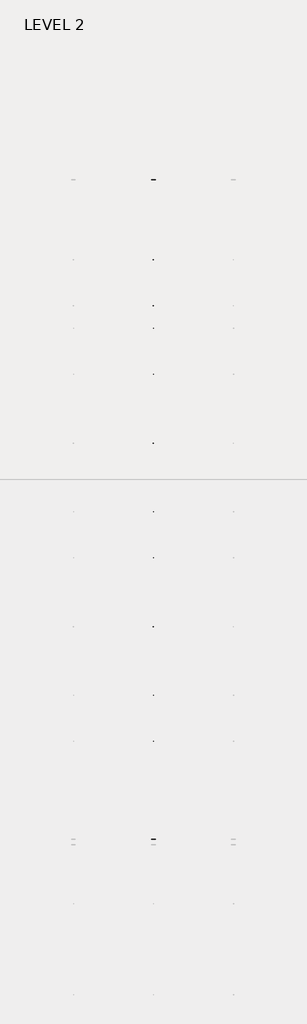
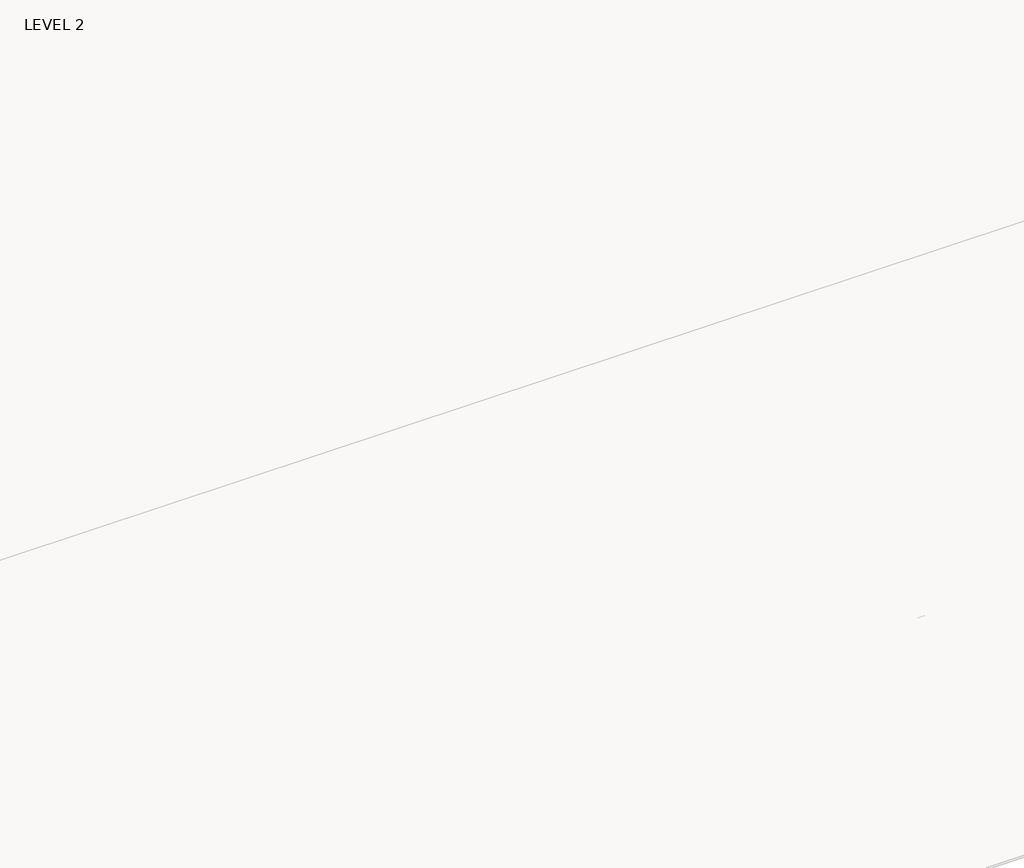
# One storey, part 46 of 67: 1 beam.
"""IFC4 building model written with IfcOpenShell, lengths in millimetres."""

from ifc_helpers import new_model, si_unit, frame, origin, place, context, project, spatial, polyline, outline, extrude, faceted_brep, element, save

model = new_model("IFC4")

# Units and contexts
model_context = context("Model", 3, world=origin())
ifc_project = project(units=[si_unit("LENGTHUNIT", "METRE", prefix="MILLI")], contexts=[model_context])

# Site, building, storey
site = spatial("IfcSite", under=ifc_project)
building = spatial("IfcBuilding", under=site)
storey = spatial("IfcBuildingStorey", under=building, Name="LEVEL 2", Elevation=6908.8)

# Beam
placement = place(None, origin())
element("IfcBeam", 1, ObjectType="K-Series Bar Joist-Angle Web : 30K7", at=placement, inside=storey, context=model_context, shape_type="SolidModel", body=[
    extrude(outline(polyline([(0.0, -9.525), (0.0, 0.0), (1596.011582, 0.0), (1596.011582, -9.525), (0.0, -9.525)])), frame((37225.8014942, 3035.5608234, 6301.5998528), z_axis=(0.0, -0.45537207995192985, 0.8903012236317849), x_axis=(0.0, -0.8903012236317849, -0.45537207995192985)), (0.0, 0.0, 1.0), 9.525),
    extrude(outline(polyline([(0.0, -9.525), (0.0, 0.0), (1596.011582, 0.0), (1596.011582, -9.525), (0.0, -9.525)])), frame((37216.2764942, -9405.2089013, 6276.405159), z_axis=(0.0, 0.45176233395621196, 0.8921383265046045), x_axis=(0.0, 0.8921383265046045, -0.45176233395621196)), (0.0, 0.0, 1.0), 9.525),
    extrude(outline(polyline([(4.7625, 4.7625), (4.7625, -4.7625), (-4.7625, -4.7625), (-4.7625, 4.7625), (4.7625, 4.7625)])), frame((37221.0389942, 1612.4610495, 5579.0607987), z_axis=(0.0, 0.5141906943646374, 0.8576758885667779), x_axis=(-1.0, 0.0, 0.0)), (0.0, 0.0, 1.0), 845.0528554),
    extrude(outline(polyline([(4.7625, 4.7625), (4.7625, -4.7625), (-4.7625, -4.7625), (-4.7625, 4.7625), (4.7625, 4.7625)])), frame((37221.0389942, -7979.1942813, 5559.6360505), z_axis=(0.0, -0.5176603441548682, 0.8555862131249332), x_axis=(-1.0, 0.0, 0.0)), (0.0, 0.0, 1.0), 845.0528554),
    extrude(outline(polyline([(0.0, 0.0), (31.75, 0.0), (31.75, -6.35), (6.35, -6.35), (6.35, -31.75), (0.0, -31.75), (0.0, 0.0)])), frame((37225.8014942, -8080.7812131, 5553.0803065), z_axis=(0.0, 0.9999979493462576, 0.0020251674695521043), x_axis=(1.0, 0.0, 0.0)), (0.0, 0.0, 1.0), 9794.875),
    extrude(outline(polyline([(-9.525, 0.0), (-9.525, -31.75), (-15.875, -31.75), (-15.875, -6.35), (-41.275, -6.35), (-41.275, 0.0), (-9.525, 0.0)])), frame((37225.8014942, -8080.7812131, 5553.0803065), z_axis=(0.0, 0.9999979493462576, 0.0020251674695521043), x_axis=(1.0, 0.0, 0.0)), (0.0, 0.0, 1.0), 9794.875),
    extrude(outline(polyline([(-31.75, 0.0), (0.0, 0.0), (0.0, -6.35), (-25.4, -6.35), (-25.4, -31.75), (-31.75, -31.75), (-31.75, 0.0)])), frame((37257.5514942, -9504.5928758, 6248.6982759), z_axis=(0.0, 0.9999979493462576, 0.0020251674695521043), x_axis=(1.0, 0.0, 0.0)), (0.0, 0.0, 1.0), 101.6),
    extrude(outline(polyline([(-41.275, 0.0), (-41.275, -31.75), (-47.625, -31.75), (-47.625, -6.35), (-73.025, -6.35), (-73.025, 0.0), (-41.275, 0.0)])), frame((37257.5514942, -9504.5928758, 6248.6982759), z_axis=(0.0, 0.9999979493462576, 0.0020251674695521043), x_axis=(1.0, 0.0, 0.0)), (0.0, 0.0, 1.0), 101.6),
    extrude(outline(polyline([(0.0, 0.0), (31.75, 0.0), (31.75, -6.35), (6.35, -6.35), (6.35, -31.75), (0.0, -31.75), (0.0, 0.0)])), frame((37216.2764942, 3033.456413, 6274.0899775), z_axis=(0.0, 0.9999979493462576, 0.0020251674695521043), x_axis=(0.0, -0.0020251674695521043, 0.9999979493462576)), (0.0, 0.0, 1.0), 101.6),
    extrude(outline(polyline([(0.0, 41.275), (6.35, 41.275), (6.35, 15.875), (31.75, 15.875), (31.75, 9.525), (0.0, 9.525), (0.0, 41.275)])), frame((37216.2764942, 3033.456413, 6274.0899775), z_axis=(0.0, 0.9999979493462576, 0.0020251674695521043), x_axis=(0.0, -0.0020251674695521043, 0.9999979493462576)), (0.0, 0.0, 1.0), 101.6),
    extrude(outline(polyline([(0.0, 0.0), (31.75, 0.0), (31.75, -6.35), (6.35, -6.35), (6.35, -31.75), (0.0, -31.75), (0.0, 0.0)])), frame((37225.8014942, -9504.7214739, 6312.1981457), z_axis=(0.0, 0.9999979493462576, 0.0020251674695521043), x_axis=(0.0, 0.0020251674695521043, -0.9999979493462576)), (0.0, 0.0, 1.0), 12639.675),
    extrude(outline(polyline([(0.0, 9.525), (0.0, 41.275), (6.35, 41.275), (6.35, 15.875), (31.75, 15.875), (31.75, 9.525), (0.0, 9.525)])), frame((37225.8014942, -9504.7214739, 6312.1981457), z_axis=(0.0, 0.9999979493462576, 0.0020251674695521043), x_axis=(0.0, 0.0020251674695521043, -0.9999979493462576)), (0.0, 0.0, 1.0), 12639.675),
    faceted_brep([(37221.0389942, 1612.4289, 5594.9357661), (37221.0389942, 1612.4674794, 5575.8858052), (37216.2764942, 1612.4674794, 5575.8858052), (37216.2764942, 1612.4289, 5594.9357661), (37221.0389942, 1611.5910583, 5594.9340693), (37221.0389942, 1186.8149607, 6330.6753354), (37221.0389942, 1168.6028414, 6330.6384527), (37221.0389942, 1168.6414208, 6311.5884918), (37221.0389942, 1175.8292494, 6311.6030483), (37221.0389942, 1600.6053471, 5575.8617823), (37216.2764942, 1600.6053471, 5575.8617823), (37216.2764942, 1580.4651011, 5610.7460665), (37216.2764942, 1584.5895575, 5613.1272983), (37216.2764942, 1189.1083632, 6298.1277874), (37216.2764942, 1184.9839067, 6295.7465555), (37216.2764942, 1175.8292494, 6311.6030483), (37216.2764942, 1168.6414208, 6311.5884918), (37216.2764942, 1168.6028414, 6330.6384527), (37216.2764942, 1186.8149607, 6330.6753354), (37216.2764942, 1611.5910583, 5594.9340693), (37203.5764942, 1184.9839067, 6295.7465555), (37203.5764942, 1580.4651011, 5610.7460665), (37203.5764942, 1584.5895575, 5613.1272983), (37203.5764942, 1189.1083632, 6298.1277874)], [[[0, 1, 2, 3]], [[1, 0, 4, 5, 6, 7, 8, 9]], [[2, 1, 9, 10]], [[3, 2, 10, 11, 12, 13, 14, 15, 16, 17, 18, 19]], [[0, 3, 19, 4]], [[9, 8, 15, 14, 20, 21, 11, 10]], [[5, 4, 19, 18]], [[7, 6, 17, 16]], [[8, 7, 16, 15]], [[6, 5, 18, 17]], [[21, 22, 12, 11]], [[20, 14, 13, 23]], [[22, 21, 20, 23]], [[12, 22, 23, 13]]]),
    extrude(outline(polyline([(740.498813, 5574.119919), (740.4602335, 5593.1698799), (741.2980751, 5593.1715767), (1163.090696, 6330.6272897), (1181.3028154, 6330.6641723), (1181.3413948, 6311.6142114), (1174.1535662, 6311.5996548), (752.3609453, 5574.1439418), (740.498813, 5574.119919)])), frame((37221.0389942, 0.0, 0.0), z_axis=(1.0, 0.0, 0.0), x_axis=(0.0, 1.0, 0.0)), (0.0, 0.0, 1.0), 4.7625),
    extrude(outline(polyline([(-4.7625, 4.7625), (-4.7625, 0.0), (-17.4625, 0.0), (-17.4625, 4.7625), (-4.7625, 4.7625)])), frame((37221.0389942, 772.3597334, 5609.1095144), z_axis=(0.0, 0.4964843899757221, 0.8680456500152716), x_axis=(-1.0, 0.0, 0.0)), (0.0, 0.0, 1.0), 790.9684223),
    faceted_brep([(37221.0389942, -7107.2577644, 5577.2769041), (37221.0389942, -7107.219185, 5558.2269432), (37216.2764942, -7107.219185, 5558.2269432), (37216.2764942, -7107.2577644, 5577.2769041), (37221.0389942, -7108.095606, 5577.2752074), (37221.0389942, -7532.8717036, 6313.0164734), (37221.0389942, -7551.083823, 6312.9795907), (37221.0389942, -7551.0452435, 6293.9296298), (37221.0389942, -7543.8574149, 6293.9441864), (37221.0389942, -7119.0813173, 5558.2029203), (37216.2764942, -7119.0813173, 5558.2029203), (37216.2764942, -7139.2215633, 5593.0872045), (37216.2764942, -7135.0971068, 5595.4684363), (37216.2764942, -7530.5783012, 6280.4689254), (37216.2764942, -7534.7027576, 6278.0876936), (37216.2764942, -7543.8574149, 6293.9441864), (37216.2764942, -7551.0452435, 6293.9296298), (37216.2764942, -7551.083823, 6312.9795907), (37216.2764942, -7532.8717036, 6313.0164734), (37216.2764942, -7108.095606, 5577.2752074), (37203.5764942, -7534.7027576, 6278.0876936), (37203.5764942, -7139.2215633, 5593.0872045), (37203.5764942, -7135.0971068, 5595.4684363), (37203.5764942, -7530.5783012, 6280.4689254)], [[[0, 1, 2, 3]], [[1, 0, 4, 5, 6, 7, 8, 9]], [[2, 1, 9, 10]], [[3, 2, 10, 11, 12, 13, 14, 15, 16, 17, 18, 19]], [[0, 3, 19, 4]], [[9, 8, 15, 14, 20, 21, 11, 10]], [[5, 4, 19, 18]], [[7, 6, 17, 16]], [[8, 7, 16, 15]], [[6, 5, 18, 17]], [[21, 22, 12, 11]], [[20, 14, 13, 23]], [[22, 21, 20, 23]], [[12, 22, 23, 13]]]),
    extrude(outline(polyline([(-7979.1878514, 5556.461057), (-7979.2264308, 5575.5110179), (-7978.3885892, 5575.5127147), (-7556.5959683, 6312.9684277), (-7538.383849, 6313.0053103), (-7538.3452696, 6293.9553494), (-7545.5330982, 6293.9407928), (-7967.3257191, 5556.4850798), (-7979.1878514, 5556.461057)])), frame((37221.0389942, 0.0, 0.0), z_axis=(1.0, 0.0, 0.0), x_axis=(0.0, 1.0, 0.0)), (0.0, 0.0, 1.0), 4.7625),
    extrude(outline(polyline([(-4.7625, 4.7625), (-4.7625, 0.0), (-17.4625, 0.0), (-17.4625, 4.7625), (-4.7625, 4.7625)])), frame((37221.0389942, -7947.326931, 5591.4506524), z_axis=(0.0, 0.4964843899757221, 0.8680456500152716), x_axis=(-1.0, 0.0, 0.0)), (0.0, 0.0, 1.0), 790.9684223),
    faceted_brep([(37221.0389942, 740.4602335, 5593.1698799), (37221.0389942, 740.498813, 5574.119919), (37216.2764942, 740.498813, 5574.119919), (37216.2764942, 740.4602335, 5593.1698799), (37221.0389942, 739.6223919, 5593.1681831), (37221.0389942, 314.8462943, 6328.9094492), (37221.0389942, 296.634175, 6328.8725665), (37221.0389942, 296.6727544, 6309.8226056), (37221.0389942, 303.860583, 6309.8371621), (37221.0389942, 728.6366806, 5574.0958961), (37216.2764942, 728.6366806, 5574.0958961), (37216.2764942, 708.4964346, 5608.9801803), (37216.2764942, 712.6208911, 5611.3614121), (37216.2764942, 317.1396968, 6296.3619012), (37216.2764942, 313.0152403, 6293.9806693), (37216.2764942, 303.860583, 6309.8371621), (37216.2764942, 296.6727544, 6309.8226056), (37216.2764942, 296.634175, 6328.8725665), (37216.2764942, 314.8462943, 6328.9094492), (37216.2764942, 739.6223919, 5593.1681831), (37203.5764942, 313.0152403, 6293.9806693), (37203.5764942, 708.4964346, 5608.9801803), (37203.5764942, 712.6208911, 5611.3614121), (37203.5764942, 317.1396968, 6296.3619012)], [[[0, 1, 2, 3]], [[1, 0, 4, 5, 6, 7, 8, 9]], [[2, 1, 9, 10]], [[3, 2, 10, 11, 12, 13, 14, 15, 16, 17, 18, 19]], [[0, 3, 19, 4]], [[9, 8, 15, 14, 20, 21, 11, 10]], [[5, 4, 19, 18]], [[7, 6, 17, 16]], [[8, 7, 16, 15]], [[6, 5, 18, 17]], [[21, 22, 12, 11]], [[20, 14, 13, 23]], [[22, 21, 20, 23]], [[12, 22, 23, 13]]]),
    extrude(outline(polyline([(-131.4698535, 5572.3540328), (-131.5084329, 5591.4039937), (-130.6705913, 5591.4056905), (291.1220296, 6328.8614035), (309.3341489, 6328.8982861), (309.3727284, 6309.8483252), (302.1848998, 6309.8337686), (-119.6077211, 5572.3780556), (-131.4698535, 5572.3540328)])), frame((37221.0389942, 0.0, 0.0), z_axis=(1.0, 0.0, 0.0), x_axis=(0.0, 1.0, 0.0)), (0.0, 0.0, 1.0), 4.7625),
    extrude(outline(polyline([(-4.7625, 4.7625), (-4.7625, 0.0), (-17.4625, 0.0), (-17.4625, 4.7625), (-4.7625, 4.7625)])), frame((37221.0389942, -99.6089331, 5607.3436282), z_axis=(0.0, 0.4964843899757221, 0.8680456500152716), x_axis=(-1.0, 0.0, 0.0)), (0.0, 0.0, 1.0), 790.9684223),
    faceted_brep([(37221.0389942, -131.5084329, 5591.4039937), (37221.0389942, -131.4698535, 5572.3540328), (37216.2764942, -131.4698535, 5572.3540328), (37216.2764942, -131.5084329, 5591.4039937), (37221.0389942, -132.3462745, 5591.4022969), (37221.0389942, -557.1223722, 6327.143563), (37221.0389942, -575.3344915, 6327.1066803), (37221.0389942, -575.295912, 6308.0567194), (37221.0389942, -568.1080834, 6308.0712759), (37221.0389942, -143.3319858, 5572.3300099), (37216.2764942, -143.3319858, 5572.3300099), (37216.2764942, -163.4722318, 5607.2142941), (37216.2764942, -159.3477753, 5609.5955259), (37216.2764942, -554.8289697, 6294.596015), (37216.2764942, -558.9534262, 6292.2147831), (37216.2764942, -568.1080834, 6308.0712759), (37216.2764942, -575.295912, 6308.0567194), (37216.2764942, -575.3344915, 6327.1066803), (37216.2764942, -557.1223722, 6327.143563), (37216.2764942, -132.3462745, 5591.4022969), (37203.5764942, -558.9534262, 6292.2147831), (37203.5764942, -163.4722318, 5607.2142941), (37203.5764942, -159.3477753, 5609.5955259), (37203.5764942, -554.8289697, 6294.596015)], [[[0, 1, 2, 3]], [[1, 0, 4, 5, 6, 7, 8, 9]], [[2, 1, 9, 10]], [[3, 2, 10, 11, 12, 13, 14, 15, 16, 17, 18, 19]], [[0, 3, 19, 4]], [[9, 8, 15, 14, 20, 21, 11, 10]], [[5, 4, 19, 18]], [[7, 6, 17, 16]], [[8, 7, 16, 15]], [[6, 5, 18, 17]], [[21, 22, 12, 11]], [[20, 14, 13, 23]], [[22, 21, 20, 23]], [[12, 22, 23, 13]]]),
    extrude(outline(polyline([(-1003.4385199, 5570.5881466), (-1003.4770993, 5589.6381075), (-1002.6392577, 5589.6398043), (-580.8466368, 6327.0955173), (-562.6345175, 6327.1323999), (-562.5959381, 6308.082439), (-569.7837667, 6308.0678824), (-991.5763876, 5570.6121694), (-1003.4385199, 5570.5881466)])), frame((37221.0389942, 0.0, 0.0), z_axis=(1.0, 0.0, 0.0), x_axis=(0.0, 1.0, 0.0)), (0.0, 0.0, 1.0), 4.7625),
    extrude(outline(polyline([(-4.7625, 4.7625), (-4.7625, 0.0), (-17.4625, 0.0), (-17.4625, 4.7625), (-4.7625, 4.7625)])), frame((37221.0389942, -971.5775995, 5605.577742), z_axis=(0.0, 0.4964843899757221, 0.8680456500152716), x_axis=(-1.0, 0.0, 0.0)), (0.0, 0.0, 1.0), 790.9684223),
    faceted_brep([(37221.0389942, -1003.4770993, 5589.6381075), (37221.0389942, -1003.4385199, 5570.5881466), (37216.2764942, -1003.4385199, 5570.5881466), (37216.2764942, -1003.4770993, 5589.6381075), (37221.0389942, -1004.314941, 5589.6364107), (37221.0389942, -1429.0910386, 6325.3776768), (37221.0389942, -1447.3031579, 6325.3407941), (37221.0389942, -1447.2645785, 6306.2908332), (37221.0389942, -1440.0767499, 6306.3053897), (37221.0389942, -1015.3006522, 5570.5641237), (37216.2764942, -1015.3006522, 5570.5641237), (37216.2764942, -1035.4408983, 5605.4484079), (37216.2764942, -1031.3164418, 5607.8296397), (37216.2764942, -1426.7976361, 6292.8301288), (37216.2764942, -1430.9220926, 6290.4488969), (37216.2764942, -1440.0767499, 6306.3053897), (37216.2764942, -1447.2645785, 6306.2908332), (37216.2764942, -1447.3031579, 6325.3407941), (37216.2764942, -1429.0910386, 6325.3776768), (37216.2764942, -1004.314941, 5589.6364107), (37203.5764942, -1430.9220926, 6290.4488969), (37203.5764942, -1035.4408983, 5605.4484079), (37203.5764942, -1031.3164418, 5607.8296397), (37203.5764942, -1426.7976361, 6292.8301288)], [[[0, 1, 2, 3]], [[1, 0, 4, 5, 6, 7, 8, 9]], [[2, 1, 9, 10]], [[3, 2, 10, 11, 12, 13, 14, 15, 16, 17, 18, 19]], [[0, 3, 19, 4]], [[9, 8, 15, 14, 20, 21, 11, 10]], [[5, 4, 19, 18]], [[7, 6, 17, 16]], [[8, 7, 16, 15]], [[6, 5, 18, 17]], [[21, 22, 12, 11]], [[20, 14, 13, 23]], [[22, 21, 20, 23]], [[12, 22, 23, 13]]]),
    extrude(outline(polyline([(-1875.4071863, 5568.8222604), (-1875.4457658, 5587.8722213), (-1874.6079242, 5587.8739181), (-1452.8153033, 6325.3296311), (-1434.6031839, 6325.3665137), (-1434.5646045, 6306.3165528), (-1441.7524331, 6306.3019962), (-1863.545054, 5568.8462832), (-1875.4071863, 5568.8222604)])), frame((37221.0389942, 0.0, 0.0), z_axis=(1.0, 0.0, 0.0), x_axis=(0.0, 1.0, 0.0)), (0.0, 0.0, 1.0), 4.7625),
    extrude(outline(polyline([(-4.7625, 4.7625001), (-4.7625, 0.0), (-17.4625, 0.0), (-17.4625, 4.7625001), (-4.7625, 4.7625001)])), frame((37221.0389942, -1843.5462659, 5603.8118558), z_axis=(0.0, 0.4964843899757221, 0.8680456500152716), x_axis=(-1.0, 0.0, 0.0)), (0.0, 0.0, 1.0), 790.9684223),
    faceted_brep([(37221.0389942, -1875.4457658, 5587.8722213), (37221.0389942, -1875.4071863, 5568.8222604), (37216.2764942, -1875.4071863, 5568.8222604), (37216.2764942, -1875.4457658, 5587.8722213), (37221.0389942, -1876.2836074, 5587.8705245), (37221.0389942, -2301.059705, 6323.6117906), (37221.0389942, -2319.2718243, 6323.5749079), (37221.0389942, -2319.2332449, 6304.524947), (37221.0389942, -2312.0454163, 6304.5395035), (37221.0389942, -1887.2693187, 5568.7982375), (37216.2764942, -1887.2693187, 5568.7982375), (37216.2764942, -1907.4095647, 5603.6825217), (37216.2764942, -1903.2851082, 5606.0637535), (37216.2764942, -2298.7663026, 6291.0642426), (37216.2764942, -2302.890759, 6288.6830107), (37216.2764942, -2312.0454163, 6304.5395035), (37216.2764942, -2319.2332449, 6304.524947), (37216.2764942, -2319.2718243, 6323.5749079), (37216.2764942, -2301.059705, 6323.6117906), (37216.2764942, -1876.2836074, 5587.8705245), (37203.5764942, -2302.890759, 6288.6830107), (37203.5764942, -1907.4095647, 5603.6825217), (37203.5764942, -1903.2851082, 5606.0637535), (37203.5764942, -2298.7663026, 6291.0642426)], [[[0, 1, 2, 3]], [[1, 0, 4, 5, 6, 7, 8, 9]], [[2, 1, 9, 10]], [[3, 2, 10, 11, 12, 13, 14, 15, 16, 17, 18, 19]], [[0, 3, 19, 4]], [[9, 8, 15, 14, 20, 21, 11, 10]], [[5, 4, 19, 18]], [[7, 6, 17, 16]], [[8, 7, 16, 15]], [[6, 5, 18, 17]], [[21, 22, 12, 11]], [[20, 14, 13, 23]], [[22, 21, 20, 23]], [[12, 22, 23, 13]]]),
    extrude(outline(polyline([(-2747.3758528, 5567.0563742), (-2747.4144322, 5586.1063351), (-2746.5765906, 5586.1080319), (-2324.7839697, 6323.5637449), (-2306.5718504, 6323.6006275), (-2306.5332709, 6304.5506666), (-2313.7210995, 6304.53611), (-2735.5137204, 5567.080397), (-2747.3758528, 5567.0563742)])), frame((37221.0389942, 0.0, 0.0), z_axis=(1.0, 0.0, 0.0), x_axis=(0.0, 1.0, 0.0)), (0.0, 0.0, 1.0), 4.7625),
    extrude(outline(polyline([(-4.7625, 4.7625), (-4.7625, 0.0), (-17.4625, 0.0), (-17.4625, 4.7625), (-4.7625, 4.7625)])), frame((37221.0389942, -2715.5149324, 5602.0459696), z_axis=(0.0, 0.4964843899757221, 0.8680456500152716), x_axis=(-1.0, 0.0, 0.0)), (0.0, 0.0, 1.0), 790.9684223),
    faceted_brep([(37221.0389942, -2747.4144322, 5586.1063351), (37221.0389942, -2747.3758528, 5567.0563742), (37216.2764942, -2747.3758528, 5567.0563742), (37216.2764942, -2747.4144322, 5586.1063351), (37221.0389942, -2748.2522738, 5586.1046383), (37221.0389942, -3173.0283715, 6321.8459044), (37221.0389942, -3191.2404908, 6321.8090217), (37221.0389942, -3191.2019113, 6302.7590608), (37221.0389942, -3184.0140827, 6302.7736173), (37221.0389942, -2759.2379851, 5567.0323513), (37216.2764942, -2759.2379851, 5567.0323513), (37216.2764942, -2779.3782311, 5601.9166355), (37216.2764942, -2775.2537747, 5604.2978673), (37216.2764942, -3170.734969, 6289.2983564), (37216.2764942, -3174.8594255, 6286.9171245), (37216.2764942, -3184.0140827, 6302.7736173), (37216.2764942, -3191.2019113, 6302.7590608), (37216.2764942, -3191.2404908, 6321.8090217), (37216.2764942, -3173.0283715, 6321.8459044), (37216.2764942, -2748.2522738, 5586.1046383), (37203.5764942, -3174.8594255, 6286.9171245), (37203.5764942, -2779.3782311, 5601.9166355), (37203.5764942, -2775.2537747, 5604.2978673), (37203.5764942, -3170.734969, 6289.2983564)], [[[0, 1, 2, 3]], [[1, 0, 4, 5, 6, 7, 8, 9]], [[2, 1, 9, 10]], [[3, 2, 10, 11, 12, 13, 14, 15, 16, 17, 18, 19]], [[0, 3, 19, 4]], [[9, 8, 15, 14, 20, 21, 11, 10]], [[5, 4, 19, 18]], [[7, 6, 17, 16]], [[8, 7, 16, 15]], [[6, 5, 18, 17]], [[21, 22, 12, 11]], [[20, 14, 13, 23]], [[22, 21, 20, 23]], [[12, 22, 23, 13]]]),
    extrude(outline(polyline([(-3619.3445192, 5565.290488), (-3619.3830987, 5584.3404489), (-3618.545257, 5584.3421457), (-3196.7526361, 6321.7978587), (-3178.5405168, 6321.8347413), (-3178.5019374, 6302.7847804), (-3185.689766, 6302.7702238), (-3607.4823869, 5565.3145108), (-3619.3445192, 5565.290488)])), frame((37221.0389942, 0.0, 0.0), z_axis=(1.0, 0.0, 0.0), x_axis=(0.0, 1.0, 0.0)), (0.0, 0.0, 1.0), 4.7625),
    extrude(outline(polyline([(-4.7625, 4.7625), (-4.7625, 0.0), (-17.4625, 0.0), (-17.4625, 4.7625), (-4.7625, 4.7625)])), frame((37221.0389942, -3587.4835988, 5600.2800834), z_axis=(0.0, 0.4964843899757221, 0.8680456500152716), x_axis=(-1.0, 0.0, 0.0)), (0.0, 0.0, 1.0), 790.9684223),
    faceted_brep([(37221.0389942, -3619.3830987, 5584.3404489), (37221.0389942, -3619.3445192, 5565.290488), (37216.2764942, -3619.3445192, 5565.290488), (37216.2764942, -3619.3830987, 5584.3404489), (37221.0389942, -3620.2209403, 5584.3387521), (37221.0389942, -4044.9970379, 6320.0800182), (37221.0389942, -4063.2091572, 6320.0431355), (37221.0389942, -4063.1705778, 6300.9931746), (37221.0389942, -4055.9827492, 6301.0077311), (37221.0389942, -3631.2066516, 5565.2664651), (37216.2764942, -3631.2066516, 5565.2664651), (37216.2764942, -3651.3468976, 5600.1507493), (37216.2764942, -3647.2224411, 5602.5319811), (37216.2764942, -4042.7036354, 6287.5324702), (37216.2764942, -4046.8280919, 6285.1512383), (37216.2764942, -4055.9827492, 6301.0077311), (37216.2764942, -4063.1705778, 6300.9931746), (37216.2764942, -4063.2091572, 6320.0431355), (37216.2764942, -4044.9970379, 6320.0800182), (37216.2764942, -3620.2209403, 5584.3387521), (37203.5764942, -4046.8280919, 6285.1512383), (37203.5764942, -3651.3468976, 5600.1507493), (37203.5764942, -3647.2224411, 5602.5319811), (37203.5764942, -4042.7036354, 6287.5324702)], [[[0, 1, 2, 3]], [[1, 0, 4, 5, 6, 7, 8, 9]], [[2, 1, 9, 10]], [[3, 2, 10, 11, 12, 13, 14, 15, 16, 17, 18, 19]], [[0, 3, 19, 4]], [[9, 8, 15, 14, 20, 21, 11, 10]], [[5, 4, 19, 18]], [[7, 6, 17, 16]], [[8, 7, 16, 15]], [[6, 5, 18, 17]], [[21, 22, 12, 11]], [[20, 14, 13, 23]], [[22, 21, 20, 23]], [[12, 22, 23, 13]]]),
    extrude(outline(polyline([(-4491.3131857, 5563.5246018), (-4491.3517651, 5582.5745627), (-4490.5139235, 5582.5762595), (-4068.7213026, 6320.0319725), (-4050.5091833, 6320.0688551), (-4050.4706038, 6301.0188942), (-4057.6584324, 6301.0043376), (-4479.4510533, 5563.5486246), (-4491.3131857, 5563.5246018)])), frame((37221.0389942, 0.0, 0.0), z_axis=(1.0, 0.0, 0.0), x_axis=(0.0, 1.0, 0.0)), (0.0, 0.0, 1.0), 4.7625),
    extrude(outline(polyline([(-4.7625, 4.7625), (-4.7625, 0.0), (-17.4625, 0.0), (-17.4625, 4.7625), (-4.7625, 4.7625)])), frame((37221.0389942, -4459.4522653, 5598.5141972), z_axis=(0.0, 0.4964843899757221, 0.8680456500152716), x_axis=(-1.0, 0.0, 0.0)), (0.0, 0.0, 1.0), 790.9684223),
    faceted_brep([(37221.0389942, -4491.3517651, 5582.5745627), (37221.0389942, -4491.3131857, 5563.5246018), (37216.2764942, -4491.3131857, 5563.5246018), (37216.2764942, -4491.3517651, 5582.5745627), (37221.0389942, -4492.1896067, 5582.572866), (37221.0389942, -4916.9657043, 6318.314132), (37221.0389942, -4935.1778236, 6318.2772493), (37221.0389942, -4935.1392442, 6299.2272884), (37221.0389942, -4927.9514156, 6299.241845), (37221.0389942, -4503.175318, 5563.5005789), (37216.2764942, -4503.175318, 5563.5005789), (37216.2764942, -4523.315564, 5598.3848631), (37216.2764942, -4519.1911075, 5600.7660949), (37216.2764942, -4914.6723019, 6285.766584), (37216.2764942, -4918.7967583, 6283.3853521), (37216.2764942, -4927.9514156, 6299.241845), (37216.2764942, -4935.1392442, 6299.2272884), (37216.2764942, -4935.1778236, 6318.2772493), (37216.2764942, -4916.9657043, 6318.314132), (37216.2764942, -4492.1896067, 5582.572866), (37203.5764942, -4918.7967583, 6283.3853521), (37203.5764942, -4523.315564, 5598.3848631), (37203.5764942, -4519.1911075, 5600.7660949), (37203.5764942, -4914.6723019, 6285.766584)], [[[0, 1, 2, 3]], [[1, 0, 4, 5, 6, 7, 8, 9]], [[2, 1, 9, 10]], [[3, 2, 10, 11, 12, 13, 14, 15, 16, 17, 18, 19]], [[0, 3, 19, 4]], [[9, 8, 15, 14, 20, 21, 11, 10]], [[5, 4, 19, 18]], [[7, 6, 17, 16]], [[8, 7, 16, 15]], [[6, 5, 18, 17]], [[21, 22, 12, 11]], [[20, 14, 13, 23]], [[22, 21, 20, 23]], [[12, 22, 23, 13]]]),
    extrude(outline(polyline([(-5363.2818521, 5561.7587156), (-5363.3204315, 5580.8086765), (-5362.4825899, 5580.8103733), (-4940.689969, 6318.2660863), (-4922.4778497, 6318.3029689), (-4922.4392703, 6299.253008), (-4929.6270988, 6299.2384514), (-5351.4197198, 5561.7827384), (-5363.2818521, 5561.7587156)])), frame((37221.0389942, 0.0, 0.0), z_axis=(1.0, 0.0, 0.0), x_axis=(0.0, 1.0, 0.0)), (0.0, 0.0, 1.0), 4.7625),
    extrude(outline(polyline([(-4.7625, 4.7625), (-4.7625, 0.0), (-17.4625, 0.0), (-17.4625, 4.7625), (-4.7625, 4.7625)])), frame((37221.0389942, -5331.4209317, 5596.748311), z_axis=(0.0, 0.4964843899757221, 0.8680456500152716), x_axis=(-1.0, 0.0, 0.0)), (0.0, 0.0, 1.0), 790.9684223),
    faceted_brep([(37221.0389942, -5363.3204315, 5580.8086765), (37221.0389942, -5363.2818521, 5561.7587156), (37216.2764942, -5363.2818521, 5561.7587156), (37216.2764942, -5363.3204315, 5580.8086765), (37221.0389942, -5364.1582731, 5580.8069798), (37221.0389942, -5788.9343708, 6316.5482458), (37221.0389942, -5807.1464901, 6316.5113631), (37221.0389942, -5807.1079106, 6297.4614022), (37221.0389942, -5799.920082, 6297.4759588), (37221.0389942, -5375.1439844, 5561.7346927), (37216.2764942, -5375.1439844, 5561.7346927), (37216.2764942, -5395.2842304, 5596.6189769), (37216.2764942, -5391.159774, 5599.0002087), (37216.2764942, -5786.6409683, 6284.0006978), (37216.2764942, -5790.7654248, 6281.6194659), (37216.2764942, -5799.920082, 6297.4759588), (37216.2764942, -5807.1079106, 6297.4614022), (37216.2764942, -5807.1464901, 6316.5113631), (37216.2764942, -5788.9343708, 6316.5482458), (37216.2764942, -5364.1582731, 5580.8069798), (37203.5764942, -5790.7654248, 6281.6194659), (37203.5764942, -5395.2842304, 5596.6189769), (37203.5764942, -5391.159774, 5599.0002087), (37203.5764942, -5786.6409683, 6284.0006978)], [[[0, 1, 2, 3]], [[1, 0, 4, 5, 6, 7, 8, 9]], [[2, 1, 9, 10]], [[3, 2, 10, 11, 12, 13, 14, 15, 16, 17, 18, 19]], [[0, 3, 19, 4]], [[9, 8, 15, 14, 20, 21, 11, 10]], [[5, 4, 19, 18]], [[7, 6, 17, 16]], [[8, 7, 16, 15]], [[6, 5, 18, 17]], [[21, 22, 12, 11]], [[20, 14, 13, 23]], [[22, 21, 20, 23]], [[12, 22, 23, 13]]]),
    extrude(outline(polyline([(-6235.2505185, 5559.9928294), (-6235.289098, 5579.0427903), (-6234.4512563, 5579.0444871), (-5812.6586354, 6316.5002001), (-5794.4465161, 6316.5370827), (-5794.4079367, 6297.4871218), (-5801.5957653, 6297.4725652), (-6223.3883862, 5560.0168522), (-6235.2505185, 5559.9928294)])), frame((37221.0389942, 0.0, 0.0), z_axis=(1.0, 0.0, 0.0), x_axis=(0.0, 1.0, 0.0)), (0.0, 0.0, 1.0), 4.7625),
    extrude(outline(polyline([(-4.7625, 4.7625), (-4.7625, 0.0), (-17.4625, 0.0), (-17.4625, 4.7625), (-4.7625, 4.7625)])), frame((37221.0389942, -6203.3895981, 5594.9824248), z_axis=(0.0, 0.4964843899757221, 0.8680456500152716), x_axis=(-1.0, 0.0, 0.0)), (0.0, 0.0, 1.0), 790.9684223),
    faceted_brep([(37221.0389942, -6235.289098, 5579.0427903), (37221.0389942, -6235.2505185, 5559.9928294), (37216.2764942, -6235.2505185, 5559.9928294), (37216.2764942, -6235.289098, 5579.0427903), (37221.0389942, -6236.1269396, 5579.0410936), (37221.0389942, -6660.9030372, 6314.7823596), (37221.0389942, -6679.1151565, 6314.7454769), (37221.0389942, -6679.0765771, 6295.695516), (37221.0389942, -6671.8887485, 6295.7100726), (37221.0389942, -6247.1126509, 5559.9688065), (37216.2764942, -6247.1126509, 5559.9688065), (37216.2764942, -6267.2528969, 5594.8530907), (37216.2764942, -6263.1284404, 5597.2343225), (37216.2764942, -6658.6096347, 6282.2348116), (37216.2764942, -6662.7340912, 6279.8535798), (37216.2764942, -6671.8887485, 6295.7100726), (37216.2764942, -6679.0765771, 6295.695516), (37216.2764942, -6679.1151565, 6314.7454769), (37216.2764942, -6660.9030372, 6314.7823596), (37216.2764942, -6236.1269396, 5579.0410936), (37203.5764942, -6662.7340912, 6279.8535798), (37203.5764942, -6267.2528969, 5594.8530907), (37203.5764942, -6263.1284404, 5597.2343225), (37203.5764942, -6658.6096347, 6282.2348116)], [[[0, 1, 2, 3]], [[1, 0, 4, 5, 6, 7, 8, 9]], [[2, 1, 9, 10]], [[3, 2, 10, 11, 12, 13, 14, 15, 16, 17, 18, 19]], [[0, 3, 19, 4]], [[9, 8, 15, 14, 20, 21, 11, 10]], [[5, 4, 19, 18]], [[7, 6, 17, 16]], [[8, 7, 16, 15]], [[6, 5, 18, 17]], [[21, 22, 12, 11]], [[20, 14, 13, 23]], [[22, 21, 20, 23]], [[12, 22, 23, 13]]]),
    extrude(outline(polyline([(-7107.219185, 5558.2269432), (-7107.2577644, 5577.2769041), (-7106.4199228, 5577.2786009), (-6684.6273019, 6314.7343139), (-6666.4151826, 6314.7711965), (-6666.3766031, 6295.7212356), (-6673.5644317, 6295.706679), (-7095.3570526, 5558.250966), (-7107.219185, 5558.2269432)])), frame((37221.0389942, 0.0, 0.0), z_axis=(1.0, 0.0, 0.0), x_axis=(0.0, 1.0, 0.0)), (0.0, 0.0, 1.0), 4.7625),
    extrude(outline(polyline([(-4.7625, 4.7625), (-4.7625, 0.0), (-17.4625, 0.0), (-17.4625, 4.7625), (-4.7625, 4.7625)])), frame((37221.0389942, -7075.3582646, 5593.2165386), z_axis=(0.0, 0.4964843899757221, 0.8680456500152716), x_axis=(-1.0, 0.0, 0.0)), (0.0, 0.0, 1.0), 790.9684223),
])

save(model, "model.ifc")
